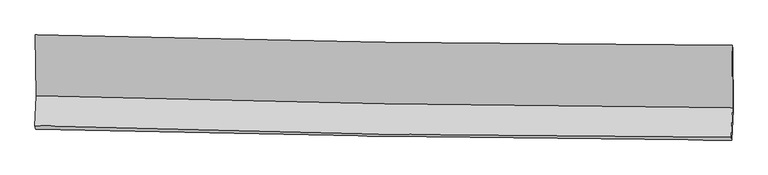
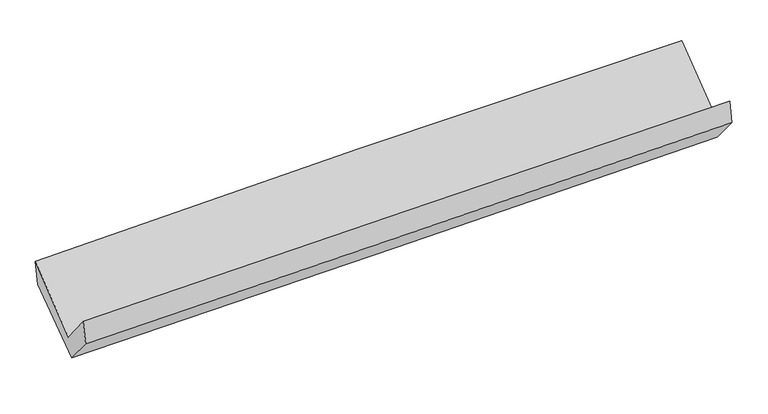
"""IFC4 building model written with IfcOpenShell, lengths in millimetres: proxy geometry."""

from ifc_helpers import new_model, si_unit, frame, origin, place, context, project, spatial, source, transform, mapped, element, save
from ifc_brep_helpers import plane_surface, spline_curve, spline_surface, advanced_brep


def generic_models_1ebfda8f(model_context):
    return source(origin(), model_context, "Body", "AdvancedBrep", [
        advanced_brep(
        [(-2958.0161592, -1156.4478452, 2170.0981807), (-2949.3919919, -1671.4523279, 1739.2185968), (2942.7546973, -1774.2263629, 1882.6008335), (2939.6872731, -1242.3899718, 2306.8411399), (-2960.5958416, -1923.9117301, 2050.7398397), (2931.6456061, -2021.3695165, 2192.344261), (-2954.917264, -1954.4553128, 1850.1498502), (2936.1494398, -2046.1215898, 1996.2410812), (-2944.5645238, -1716.4560279, 1563.5645858), (2947.0785633, -1793.5028961, 1696.8660967), (-2952.0973362, -1186.7856994, 1961.4252947), (2944.071114, -1272.0650667, 2112.8115795)],
        [
            (0, 1),
            (1, 2, spline_curve(3, [(-2949.3919919, -1671.4523279, 1739.2185968), (-1968.382296255, -1699.083194946, 1771.385487091), (-987.187576563, -1721.460960556, 1799.412329292), (976.860833261, -1755.732780024, 1847.217290131), (1959.715010476, -1767.613025873, 1866.984526758), (2942.7546973, -1774.2263629, 1882.6008335)], [4, 2, 4], [0.0, 9.668331145032043, 19.34936047663246])),
            (2, 3),
            (3, 0, spline_curve(3, [(2939.6872731, -1242.3899718, 2306.8411399), (1955.403394262, -1241.813993797, 2306.741495969), (971.463859919, -1234.354946922, 2295.28149869), (-994.43638174, -1205.68952661, 2249.670730175), (-1976.397991002, -1184.501198014, 2215.549740851), (-2958.0161592, -1156.4478452, 2170.0981807)], [4, 2, 4], [0.0, 9.681029331600415, 19.34936047663246])),
            (1, 4),
            (4, 5, spline_curve(3, [(-2960.5958416, -1923.9117301, 2050.7398397), (-1979.817004708, -1955.074764794, 2089.775553523), (-998.729903988, -1978.77733363, 2121.091104758), (965.349768002, -2011.282872413, 2168.312870537), (1948.343150367, -2020.066232147, 2184.198793464), (2931.6456061, -2021.3695165, 2192.344261)], [4, 2, 4], [0.0, 9.663925783672095, 19.34054396800188])),
            (5, 2),
            (4, 6),
            (6, 7, spline_curve(3, [(-2954.917264, -1954.4553128, 1850.1498502), (-1973.977348903, -1978.266582229, 1878.052393483), (-992.907423488, -1997.808863924, 1904.171116652), (970.781136231, -2028.375510304, 1952.872882106), (1953.400111802, -2039.388654595, 1975.451236366), (2936.1494398, -2046.1215898, 1996.2410812)], [4, 2, 4], [0.0, 9.662851459966188, 19.338393909595485])),
            (7, 5),
            (6, 8),
            (8, 9, spline_curve(3, [(-2944.5645238, -1716.4560279, 1563.5645858), (-1963.370213098, -1732.146512233, 1585.710242489), (-982.125037489, -1746.409051067, 1607.884221232), (981.755858055, -1772.095093822, 1652.317984012), (1964.391711341, -1783.514844471, 1674.577842042), (2947.0785633, -1793.5028961, 1696.8660967)], [4, 2, 4], [0.0, 9.661710979456178, 19.336111450691902])),
            (9, 7),
            (8, 10),
            (10, 11, spline_curve(3, [(-2952.0973362, -1186.7856994, 1961.4252947), (-1970.231864598, -1206.468338955, 1992.652593311), (-988.274269222, -1223.413406635, 2020.875460496), (977.114971852, -1251.847057997, 2071.345452476), (1960.546860255, -1263.328446069, 2093.584680305), (2944.071114, -1272.0650667, 2112.8115795)], [4, 2, 4], [0.0, 9.665907558953595, 19.344510121387632])),
            (11, 9),
            (10, 0),
            (3, 11),
        ],
        [
            spline_surface(3, 3, [[(-2958.0161592, -1156.4478452, 2170.0981807), (-1976.397991148, -1184.501198157, 2215.549740936), (-994.436381602, -1205.689526693, 2249.670730133), (971.463859781, -1234.354946839, 2295.281498732), (1955.403394308, -1241.81399382, 2306.741495979), (2939.6872731, -1242.3899718, 2306.8411399)], [(-2955.14143675, -1328.116006113, 2026.471652717), (-1973.726092791, -1356.028530445, 2067.494989608), (-992.020113294, -1377.613338, 2099.584596497), (973.262850986, -1408.147557888, 2145.926762546), (1956.840599658, -1417.080337895, 2160.155839608), (2940.70974784, -1419.66876885, 2165.427704439)], [(-2952.26671435, -1499.784166987, 1882.845124783), (-1971.054194483, -1527.555862694, 1919.440238327), (-989.603844995, -1549.537149298, 1949.498462873), (975.061842181, -1581.940168926, 1996.572026371), (1958.277804989, -1592.346681921, 2013.570183218), (2941.73222256, -1596.94756585, 2024.014268961)], [(-2949.3919919, -1671.4523279, 1739.2185968), (-1968.382296126, -1699.083194983, 1771.385486998), (-987.187576687, -1721.460960605, 1799.412329237), (976.860833385, -1755.732779975, 1847.217290185), (1959.715010339, -1767.613025997, 1866.984526847), (2942.7546973, -1774.2263629, 1882.6008335)]], [4, 4], [4, 2, 4], [0.0, 2.250923994786825], [0.0, 9.668331145032043, 19.34936047663246]),
            spline_surface(3, 3, [[(-2949.3919919, -1671.4523279, 1739.2185968), (-1968.382296126, -1699.083194983, 1771.385486998), (-987.187576687, -1721.460960605, 1799.412329237), (976.860833385, -1755.732779975, 1847.217290185), (1959.715010339, -1767.613025997, 1866.984526847), (2942.7546973, -1774.2263629, 1882.6008335)], [(-2953.126608467, -1755.605461949, 1843.059011113), (-1972.193865613, -1784.413718246, 1877.515509193), (-991.035019158, -1807.233085001, 1906.638587696), (973.023811657, -1840.916144093, 1954.249150359), (1955.924390317, -1851.764094698, 1972.722615715), (2939.051666899, -1856.607414097, 1985.848642686)], [(-2956.861225033, -1839.758596051, 1946.899425387), (-1976.0054351, -1869.744241562, 1983.645531348), (-994.882461673, -1893.005209357, 2013.864846142), (969.186789887, -1926.099508172, 2061.281010521), (1952.133770299, -1935.91516341, 2078.460704524), (2935.348636501, -1938.988465303, 2089.096451814)], [(-2960.5958416, -1923.9117301, 2050.7398397), (-1979.817004588, -1955.074764825, 2089.775553543), (-998.729904144, -1978.777333752, 2121.091104601), (965.349768159, -2011.282872291, 2168.312870695), (1948.343150278, -2020.066232112, 2184.198793392), (2931.6456061, -2021.3695165, 2192.344261)]], [4, 4], [4, 2, 4], [0.0, 1.3494575092776424], [0.0, 9.663925783672095, 19.34054396800188]),
            spline_surface(3, 3, [[(-2960.5958416, -1923.9117301, 2050.7398397), (-1979.817004588, -1955.074764825, 2089.775553543), (-998.729904144, -1978.777333752, 2121.091104601), (965.349768159, -2011.282872291, 2168.312870695), (1948.343150278, -2020.066232112, 2184.198793392), (2931.6456061, -2021.3695165, 2192.344261)], [(-2958.702982393, -1934.092924352, 1983.87650986), (-1977.870452681, -1962.805370658, 2019.201166885), (-996.789077229, -1985.121177084, 2048.784441901), (967.160224154, -2016.980418319, 2096.499541218), (1950.028804164, -2026.507039588, 2114.616274373), (2933.146884009, -2029.62020759, 2126.976534407)], [(-2956.810123207, -1944.274118548, 1917.01318004), (-1975.923900795, -1970.535976434, 1948.626780246), (-994.848250314, -1991.465020468, 1976.477779198), (968.970680147, -2022.6779644, 2024.686211737), (1951.714458024, -2032.947847092, 2045.033755333), (2934.648161891, -2037.87089871, 2061.608807793)], [(-2954.917264, -1954.4553128, 1850.1498502), (-1973.977348888, -1978.266582266, 1878.052393589), (-992.907423399, -1997.8088638, 1904.171116498), (970.781136142, -2028.375510429, 1952.87288226), (1953.400111911, -2039.388654568, 1975.451236313), (2936.1494398, -2046.1215898, 1996.2410812)]], [4, 4], [4, 2, 4], [0.0, 0.711959012921458], [0.0, 9.662851459966188, 19.338393909595485]),
            spline_surface(3, 3, [[(-2954.917264, -1954.4553128, 1850.1498502), (-1973.977348888, -1978.266582266, 1878.052393589), (-992.907423399, -1997.8088638, 1904.171116498), (970.781136142, -2028.375510429, 1952.87288226), (1953.400111911, -2039.388654568, 1975.451236313), (2936.1494398, -2046.1215898, 1996.2410812)], [(-2951.46635061, -1875.122217821, 1754.621428746), (-1970.441636967, -1896.226558957, 1780.605009871), (-989.313294747, -1914.008926245, 1805.408818121), (974.43937673, -1942.948704909, 1852.687916135), (1957.063978359, -1954.097384539, 1875.160104829), (2939.792480966, -1961.915358559, 1896.449419691)], [(-2948.01543719, -1795.789122879, 1659.093007254), (-1966.905925017, -1814.186535684, 1683.157626114), (-985.719166043, -1830.208988632, 1706.64651974), (978.09761737, -1857.521899331, 1752.502950007), (1960.727844811, -1868.806114534, 1774.868973371), (2943.435522134, -1877.709127341, 1796.657758209)], [(-2944.5645238, -1716.4560279, 1563.5645858), (-1963.370213096, -1732.146512375, 1585.710242396), (-982.125037392, -1746.409051078, 1607.884221363), (981.755857957, -1772.095093811, 1652.317983882), (1964.391711259, -1783.514844505, 1674.577841887), (2947.0785633, -1793.5028961, 1696.8660967)]], [4, 4], [4, 2, 4], [0.0, 1.2858694188822315], [0.0, 9.661710979456178, 19.336111450691902]),
            spline_surface(3, 3, [[(-2944.5645238, -1716.4560279, 1563.5645858), (-1963.370213096, -1732.146512375, 1585.710242396), (-982.125037392, -1746.409051078, 1607.884221363), (981.755857957, -1772.095093811, 1652.317983882), (1964.391711259, -1783.514844505, 1674.577841887), (2947.0785633, -1793.5028961, 1696.8660967)], [(-2947.075461279, -1539.89925174, 1696.184822095), (-1965.657430238, -1556.920454569, 1721.357692734), (-984.174781362, -1572.077169581, 1745.547967738), (980.208895955, -1598.679081885, 1791.99380676), (1963.110094203, -1610.119378399, 1814.246788049), (2946.076080172, -1619.690286323, 1835.514590959)], [(-2949.586398721, -1363.34247556, 1828.805058405), (-1967.944647342, -1381.694396744, 1857.005143087), (-986.224525341, -1397.745288089, 1883.211714097), (978.661933944, -1425.263069966, 1931.669629622), (1961.828477229, -1436.723912223, 1953.915734236), (2945.073597128, -1445.877676477, 1974.163085241)], [(-2952.0973362, -1186.7856994, 1961.4252947), (-1970.231864484, -1206.468338938, 1992.652593426), (-988.274269311, -1223.413406592, 2020.875460473), (977.114971942, -1251.84705804, 2071.3454525), (1960.546860173, -1263.328446116, 2093.584680398), (2944.071114, -1272.0650667, 2112.8115795)]], [4, 4], [4, 2, 4], [0.0, 2.189044717653556], [0.0, 9.665907558953595, 19.344510121387632]),
            spline_surface(3, 3, [[(-2952.0973362, -1186.7856994, 1961.4252947), (-1970.231864484, -1206.468338938, 1992.652593426), (-988.274269311, -1223.413406592, 2020.875460473), (977.114971942, -1251.84705804, 2071.3454525), (1960.546860173, -1263.328446116, 2093.584680398), (2944.071114, -1272.0650667, 2112.8115795)], [(-2954.0702772, -1176.673081325, 2030.982923367), (-1972.287240039, -1199.145958669, 2066.951642597), (-990.328306745, -1217.505446609, 2097.140550352), (975.231267884, -1246.01635429, 2145.990801236), (1958.832371566, -1256.156961999, 2164.636952243), (2942.609833715, -1262.173368381, 2177.488099618)], [(-2956.0432182, -1166.560463275, 2100.540552033), (-1974.342615593, -1191.823578426, 2141.250691765), (-992.382344168, -1211.597486676, 2173.405640254), (973.347563838, -1240.185650589, 2220.636149995), (1957.117882915, -1248.985477938, 2235.689224134), (2941.148553385, -1252.281670119, 2242.164619782)], [(-2958.0161592, -1156.4478452, 2170.0981807), (-1976.397991148, -1184.501198157, 2215.549740936), (-994.436381602, -1205.689526693, 2249.670730133), (971.463859781, -1234.354946839, 2295.281498732), (1955.403394308, -1241.81399382, 2306.741495979), (2939.6872731, -1242.3899718, 2306.8411399)]], [4, 4], [4, 2, 4], [0.0, 0.7451543859398327], [0.0, 9.671437160953523, 19.35557658785262]),
            plane_surface(frame((2940.2311156, -1691.6125673, 2031.2841653), z_axis=(0.999597083250809, -0.013952373746494714, 0.024718463206948295), x_axis=(-0.004508777230115888, 0.7817411740148541, 0.6235867283528146))),
            plane_surface(frame((-2953.2638528, -1601.5848239, 1889.1993913), z_axis=(-0.9995329836970404, 0.007948678164875284, -0.029506491101506296), x_axis=(0.02805797772966315, -0.14381555894387363, -0.989206669453549))),
        ],
        [
            (0, [[1, 2, 3, 4]]),
            (1, [[5, 6, 7, -2]]),
            (2, [[8, 9, 10, -6]]),
            (3, [[11, 12, 13, -9]]),
            (4, [[14, 15, 16, -12]]),
            (5, [[17, -4, 18, -15]]),
            (6, [[-16, -18, -3, -7, -10, -13]]),
            (7, [[-17, -14, -11, -8, -5, -1]]),
        ],
    ),
    ])


if __name__ == "__main__":
    model = new_model("IFC4")
    model_context = context("Model", 3, world=origin())
    ifc_project = project(units=[si_unit("LENGTHUNIT", "METRE", prefix="MILLI")], contexts=[model_context])
    site = spatial("IfcSite", under=ifc_project)
    building = spatial("IfcBuilding", under=site)
    placement = place(None, origin())
    generic_models_shape = generic_models_1ebfda8f(model_context)
    element("IfcBuildingElementProxy", 1, Name="Generic Models", at=placement, inside=building, context=model_context, shape_type="MappedRepresentation", body=[
        mapped(generic_models_shape, transform((0.0, 0.0, 0.0), x_axis=(1.0, 0.0, 0.0), y_axis=(0.0, 1.0, 0.0), z_axis=(0.0, 0.0, 1.0))),
    ])
    save(model, "model.ifc")
